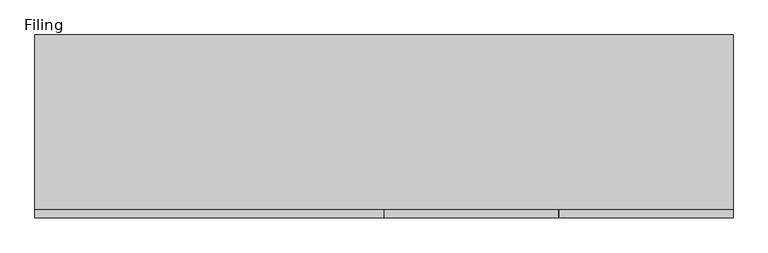
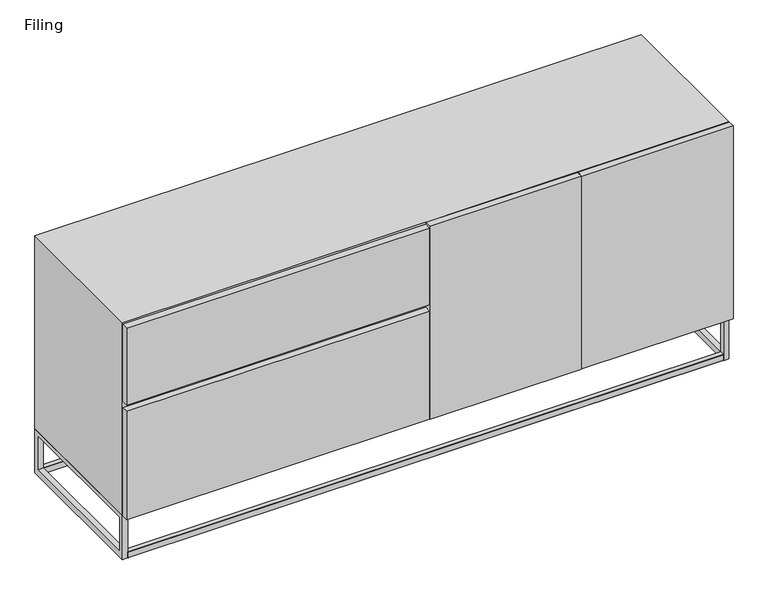
"""IFC4 building model written with IfcOpenShell, lengths in millimetres: furniture geometry, Filing."""

from ifc_helpers import new_model, si_unit, frame, origin, place, context, project, spatial, polyline, outline, extrude, source, transform, mapped, element, save


def filing_d6ddc88c(model_context):
    return source(origin(), model_context, "Body", "SweptSolid", [
        extrude(outline(polyline([(1828.8, -480.4480194), (1372.87, -480.4480194), (1372.87, -460.3780236), (1828.8, -460.3780236), (1828.8, -480.4480194)])), frame((0.0, 0.0, 140.97), z_axis=(0.0, 0.0, 1.0), x_axis=(1.0, 0.0, 0.0)), (0.0, 0.0, 1.0), 614.4676791),
        extrude(outline(polyline([(1370.33, -480.4480194), (915.67, -480.4480194), (915.67, -460.3780236), (1370.33, -460.3780236), (1370.33, -480.4480194)])), frame((0.0, 0.0, 140.97), z_axis=(0.0, 0.0, 1.0), x_axis=(1.0, 0.0, 0.0)), (0.0, 0.0, 1.0), 614.4676791),
        extrude(outline(polyline([(913.13, -460.3780236), (913.13, -480.4480194), (0.0, -480.4480194), (0.0, -460.3780236), (913.13, -460.3780236)])), frame((0.0, 0.0, 506.183638), z_axis=(0.0, 0.0, 1.0), x_axis=(1.0, 0.0, 0.0)), (0.0, 0.0, 1.0), 244.5111739),
        extrude(outline(polyline([(913.13, -460.3780236), (913.13, -480.4480194), (0.0, -480.4480194), (0.0, -460.3780236), (913.13, -460.3780236)])), frame((0.0, 0.0, 140.97), z_axis=(0.0, 0.0, 1.0), x_axis=(1.0, 0.0, 0.0)), (0.0, 0.0, 1.0), 344.5935667),
        extrude(outline(polyline([(-1.778, 1.3619377), (-3.1399377, 0.0), (-16.3996092, 0.0), (-18.034, 1.7657197), (-18.034, 17.9909329), (-16.3996092, 19.6253237), (-3.1399377, 19.6253237), (-1.778, 18.263386), (-1.778, 1.3619377)])), frame((16.1568429, 0.0, 0.0), z_axis=(1.0, 0.0, 0.0), x_axis=(0.0, 1.0, 0.0)), (0.0, 0.0, 1.0), 1796.3871571),
        extrude(outline(polyline([(-458.978, 1.2971853), (-458.978, 18.3281384), (-457.6808147, 19.6253237), (-444.4211432, 19.6253237), (-442.7867523, 17.9909329), (-442.7867523, 1.7657197), (-444.4211432, 0.0), (-457.6808147, 0.0), (-458.978, 1.2971853)])), frame((16.1568429, 0.0, 0.0), z_axis=(1.0, 0.0, 0.0), x_axis=(0.0, 1.0, 0.0)), (0.0, 0.0, 1.0), 1796.3871571),
        extrude(outline(polyline([(1828.8, -1.778), (1828.8, -458.978), (0.0, -458.978), (0.0, -1.778), (1828.8, -1.778)])), frame((0.0, 0.0, 140.97), z_axis=(0.0, 0.0, 1.0), x_axis=(1.0, 0.0, 0.0)), (0.0, 0.0, 1.0), 614.4676791),
        extrude(outline(polyline([(1812.544, -18.034), (1812.544, -442.7867523), (16.1568429, -442.7867523), (16.1568429, -18.034), (1812.544, -18.034)])), frame((0.0, 0.0, 127.5025281), z_axis=(0.0, 0.0, 1.0), x_axis=(1.0, 0.0, 0.0)), (0.0, 0.0, 1.0), 16.0436973),
        extrude(outline(polyline([(1812.544, -18.034), (1812.544, -442.7867523), (16.1568429, -442.7867523), (16.1568429, -18.034), (1812.544, -18.034)])), frame((0.0, 0.0, 124.7959872), z_axis=(0.0, 0.0, 1.0), x_axis=(1.0, 0.0, 0.0)), (0.0, 0.0, 1.0), 16.1740128),
        extrude(outline(polyline([(-1.778, 0.0), (-458.978, 0.0), (-458.978, 140.97), (-1.778, 140.97), (-1.778, 0.0)]), holes=[polyline([(-442.7867523, 124.7959872), (-442.7867523, 19.6253237), (-18.034, 19.6253237), (-18.034, 124.7959872), (-442.7867523, 124.7959872)])]), frame((1812.544, 0.0, 0.0), z_axis=(1.0, 0.0, 0.0), x_axis=(0.0, 1.0, 0.0)), (0.0, 0.0, 1.0), 16.256),
        extrude(outline(polyline([(-1.778, 0.0), (-458.978, 0.0), (-458.978, 140.97), (-1.778, 140.97), (-1.778, 0.0)]), holes=[polyline([(-442.7867523, 124.7959872), (-442.7867523, 19.6253237), (-18.034, 19.6253237), (-18.034, 124.7959872), (-442.7867523, 124.7959872)])]), frame((0.0, 0.0, 0.0), z_axis=(1.0, 0.0, 0.0), x_axis=(0.0, 1.0, 0.0)), (0.0, 0.0, 1.0), 16.1568429),
        extrude(outline(polyline([(-1.778, 126.2882404), (-3.2702531, 124.7959872), (-16.2789862, 124.7959872), (-18.034, 126.6920224), (-18.034, 139.6069648), (-16.6709648, 140.97), (-2.9737057, 140.97), (-1.778, 139.7742943), (-1.778, 126.2882404)])), frame((16.1568429, 0.0, 0.0), z_axis=(1.0, 0.0, 0.0), x_axis=(0.0, 1.0, 0.0)), (0.0, 0.0, 1.0), 1796.3871571),
        extrude(outline(polyline([(-458.978, 126.2882404), (-458.978, 139.7742943), (-457.7822943, 140.97), (-444.2214367, 140.97), (-442.7867523, 139.6717172), (-442.7867523, 126.622067), (-444.6134154, 124.7959872), (-457.4857469, 124.7959872), (-458.978, 126.2882404)])), frame((16.1568429, 0.0, 0.0), z_axis=(1.0, 0.0, 0.0), x_axis=(0.0, 1.0, 0.0)), (0.0, 0.0, 1.0), 1796.3871571),
        extrude(outline(polyline([(-1.778, 128.8644658), (-3.1399377, 127.5025281), (-16.3996092, 127.5025281), (-18.034, 129.2682478), (-18.034, 142.1831902), (-16.6709648, 143.5462254), (-2.9737057, 143.5462254), (-1.778, 142.3505197), (-1.778, 128.8644658)])), frame((16.1568429, 0.0, 0.0), z_axis=(1.0, 0.0, 0.0), x_axis=(0.0, 1.0, 0.0)), (0.0, 0.0, 1.0), 1796.3871571),
        extrude(outline(polyline([(-458.978, 128.8644658), (-458.978, 142.3505197), (-457.7822943, 143.5462254), (-444.2214367, 143.5462254), (-442.7867523, 142.2479425), (-442.7867523, 129.1982924), (-444.4927924, 127.5025281), (-457.6160623, 127.5025281), (-458.978, 128.8644658)])), frame((16.1568429, 0.0, 0.0), z_axis=(1.0, 0.0, 0.0), x_axis=(0.0, 1.0, 0.0)), (0.0, 0.0, 1.0), 1796.3871571),
    ])


if __name__ == "__main__":
    model = new_model("IFC4")
    model_context = context("Model", 3, world=origin())
    ifc_project = project(units=[si_unit("LENGTHUNIT", "METRE", prefix="MILLI")], contexts=[model_context])
    site = spatial("IfcSite", under=ifc_project)
    building = spatial("IfcBuilding", under=site)
    placement = place(None, origin())
    filing_shape = filing_d6ddc88c(model_context)
    element("IfcFurniture", 1, ObjectType="Filing", at=placement, inside=building, context=model_context, shape_type="MappedRepresentation", body=[
        mapped(filing_shape, transform((0.0, 0.0, 0.0), x_axis=(1.0, 0.0, 0.0), y_axis=(0.0, 1.0, 0.0), z_axis=(0.0, 0.0, 1.0))),
    ])
    save(model, "model.ifc")
